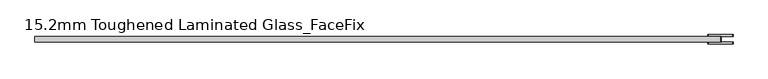
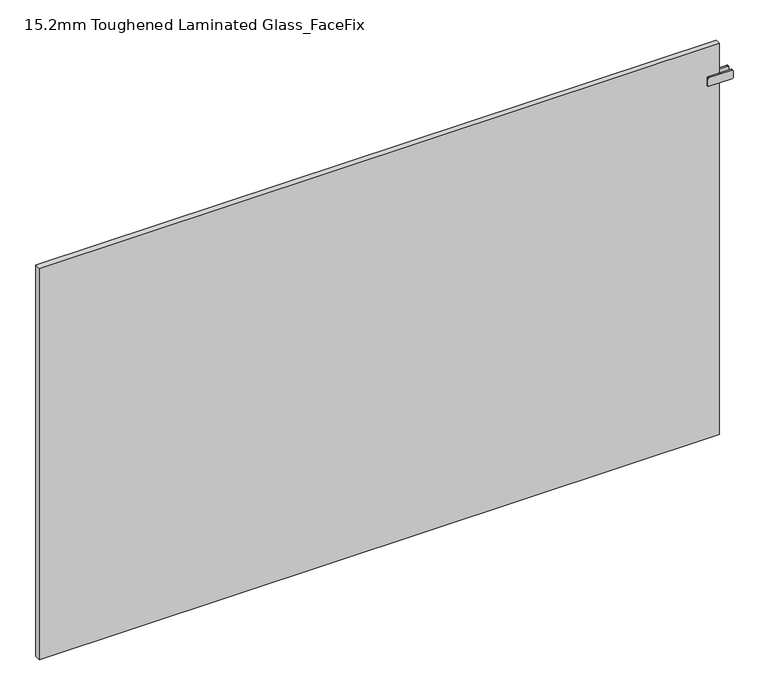
"""IFC4 building model written with IfcOpenShell, lengths in millimetres: plate geometry, 15.2mm Toughened Laminated Glass_FaceFix."""

from ifc_helpers import new_model, si_unit, point, frame, frame_2d, origin, origin_with_axes, place, context, project, spatial, polyline, circle_curve, trimmed, segment, composite_curve, outline, extrude, source, transform, mapped, element, save


def plate_15_2mm_toughened_laminated_glass_facefix_52b3073f(model_context):
    return source(origin(), model_context, "Body", "SweptSolid", [
        extrude(outline(polyline([(947.5000001, -39.6), (942.5000001, -39.6), (942.5000001, -24.4), (947.5000001, -24.4), (947.5000001, -39.6)])), frame((0.0, 0.0, 1037.5), z_axis=(0.0, 0.0, 1.0), x_axis=(1.0, 0.0, 0.0)), (0.0, 0.0, 1.0), 25.0),
        extrude(outline(composite_curve([segment(polyline([(1037.5, 913.0000001), (1037.5, 977.0000001)]), True, "CONTINUOUS"), segment(trimmed(circle_curve(frame_2d((1040.5, 977.0000001)), 3.0), [point((1037.5, 977.0000001))], [point((1040.5, 980.0000001))], False, "CARTESIAN"), True, "CONTINUOUS"), segment(polyline([(1040.5, 980.0000001), (1059.5, 980.0000001)]), True, "CONTINUOUS"), segment(trimmed(circle_curve(frame_2d((1059.5, 977.0000001)), 3.0), [point((1059.5, 980.0000001))], [point((1062.5, 977.0000001))], False, "CARTESIAN"), True, "CONTINUOUS"), segment(polyline([(1062.5, 977.0000001), (1062.5, 913.0000001)]), True, "CONTINUOUS"), segment(trimmed(circle_curve(frame_2d((1059.5, 913.0000001)), 3.0), [point((1062.5, 913.0000001))], [point((1059.5, 910.0000001))], False, "CARTESIAN"), True, "CONTINUOUS"), segment(polyline([(1059.5, 910.0000001), (1040.5, 910.0000001)]), True, "CONTINUOUS"), segment(trimmed(circle_curve(frame_2d((1040.5, 913.0000001)), 3.0), [point((1040.5, 910.0000001))], [point((1037.5, 913.0000001))], False, "CARTESIAN"), True, "CONTINUOUS")], self_intersect=False)), frame((0.0, -24.4, 0.0), z_axis=(0.0, 1.0, 0.0), x_axis=(0.0, 0.0, 1.0)), (0.0, 0.0, 1.0), 5.0),
        extrude(outline(composite_curve([segment(polyline([(1037.5, 913.0000001), (1037.5, 977.0000001)]), True, "CONTINUOUS"), segment(trimmed(circle_curve(frame_2d((1040.5, 977.0000001)), 3.0), [point((1037.5, 977.0000001))], [point((1040.5, 980.0000001))], False, "CARTESIAN"), True, "CONTINUOUS"), segment(polyline([(1040.5, 980.0000001), (1059.5, 980.0000001)]), True, "CONTINUOUS"), segment(trimmed(circle_curve(frame_2d((1059.5, 977.0000001)), 3.0), [point((1059.5, 980.0000001))], [point((1062.5, 977.0000001))], False, "CARTESIAN"), True, "CONTINUOUS"), segment(polyline([(1062.5, 977.0000001), (1062.5, 913.0000001)]), True, "CONTINUOUS"), segment(trimmed(circle_curve(frame_2d((1059.5, 913.0000001)), 3.0), [point((1062.5, 913.0000001))], [point((1059.5, 910.0000001))], False, "CARTESIAN"), True, "CONTINUOUS"), segment(polyline([(1059.5, 910.0000001), (1040.5, 910.0000001)]), True, "CONTINUOUS"), segment(trimmed(circle_curve(frame_2d((1040.5, 913.0000001)), 3.0), [point((1040.5, 910.0000001))], [point((1037.5, 913.0000001))], False, "CARTESIAN"), True, "CONTINUOUS")], self_intersect=False)), frame((0.0, -44.6, 0.0), z_axis=(0.0, 1.0, 0.0), x_axis=(0.0, 0.0, 1.0)), (0.0, 0.0, 1.0), 5.0),
        extrude(outline(polyline([(945.0000001, -24.4), (945.0000001, -39.6), (-945.0000001, -39.6), (-945.0000001, -24.4), (945.0000001, -24.4)])), origin_with_axes(), (0.0, 0.0, 1.0), 1150.0),
    ])


if __name__ == "__main__":
    model = new_model("IFC4")
    model_context = context("Model", 3, world=origin())
    ifc_project = project(units=[si_unit("LENGTHUNIT", "METRE", prefix="MILLI")], contexts=[model_context])
    site = spatial("IfcSite", under=ifc_project)
    building = spatial("IfcBuilding", under=site)
    placement = place(None, origin())
    plate_15_2mm_toughened_laminated_glass_facefix_shape = plate_15_2mm_toughened_laminated_glass_facefix_52b3073f(model_context)
    element("IfcPlate", 1, ObjectType="15.2mm Toughened Laminated Glass_FaceFix", at=placement, inside=building, context=model_context, shape_type="MappedRepresentation", body=[
        mapped(plate_15_2mm_toughened_laminated_glass_facefix_shape, transform((0.0, 0.0, 0.0), x_axis=(1.0, 0.0, 0.0), y_axis=(0.0, 1.0, 0.0), z_axis=(0.0, 0.0, 1.0))),
    ])
    save(model, "model.ifc")
